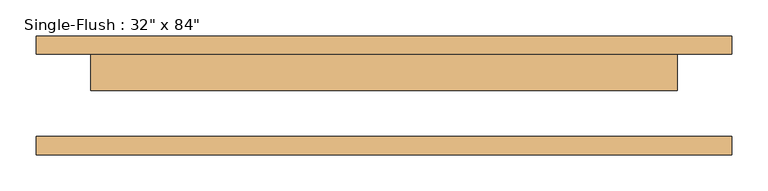
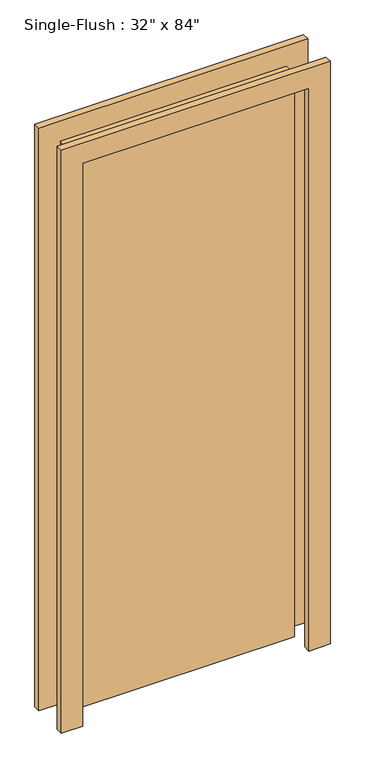
"""IFC4 building model written with IfcOpenShell, lengths in millimetres: door geometry."""

from ifc_helpers import new_model, si_unit, frame, origin, origin_with_axes, place, context, project, spatial, polyline, outline, extrude, source, transform, mapped, element, save


def door_d141acb4(model_context):
    return source(origin(), model_context, "Body", "SweptSolid", [
        extrude(outline(polyline([(2209.8, -482.6), (0.0, -482.6), (0.0, -406.4), (2133.6, -406.4), (2133.6, 406.4), (0.0, 406.4), (0.0, 482.6), (2209.8, 482.6), (2209.8, -482.6)])), frame((0.0, 57.15, 0.0), z_axis=(0.0, 1.0, 0.0), x_axis=(0.0, 0.0, 1.0)), (0.0, 0.0, 1.0), 25.4),
        extrude(outline(polyline([(2209.8, 482.6), (2209.8, -482.6), (0.0, -482.6), (0.0, -406.4), (2133.6, -406.4), (2133.6, 406.4), (0.0, 406.4), (0.0, 482.6), (2209.8, 482.6)])), frame((0.0, -82.55, 0.0), z_axis=(0.0, 1.0, 0.0), x_axis=(0.0, 0.0, 1.0)), (0.0, 0.0, 1.0), 25.4),
        extrude(outline(polyline([(406.4, 6.35), (-406.4, 6.35), (-406.4, 57.15), (406.4, 57.15), (406.4, 6.35)])), origin_with_axes(), (0.0, 0.0, 1.0), 2133.6),
    ])


if __name__ == "__main__":
    model = new_model("IFC4")
    model_context = context("Model", 3, world=origin())
    ifc_project = project(units=[si_unit("LENGTHUNIT", "METRE", prefix="MILLI")], contexts=[model_context])
    site = spatial("IfcSite", under=ifc_project)
    building = spatial("IfcBuilding", under=site)
    placement = place(None, origin())
    door_shape = door_d141acb4(model_context)
    element("IfcDoor", 1, ObjectType="Single-Flush : 32\" x 84\"", at=placement, inside=building, context=model_context, shape_type="MappedRepresentation", body=[
        mapped(door_shape, transform((0.0, 0.0, 0.0), x_axis=(1.0, 0.0, 0.0), y_axis=(0.0, 1.0, 0.0), z_axis=(0.0, 0.0, 1.0))),
    ])
    save(model, "model.ifc")
